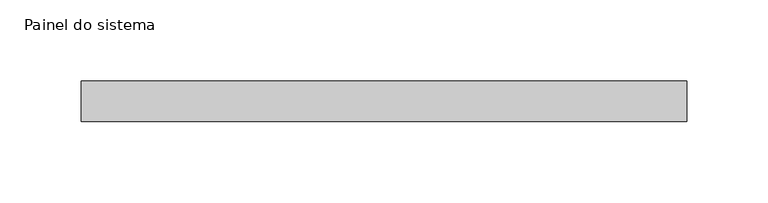
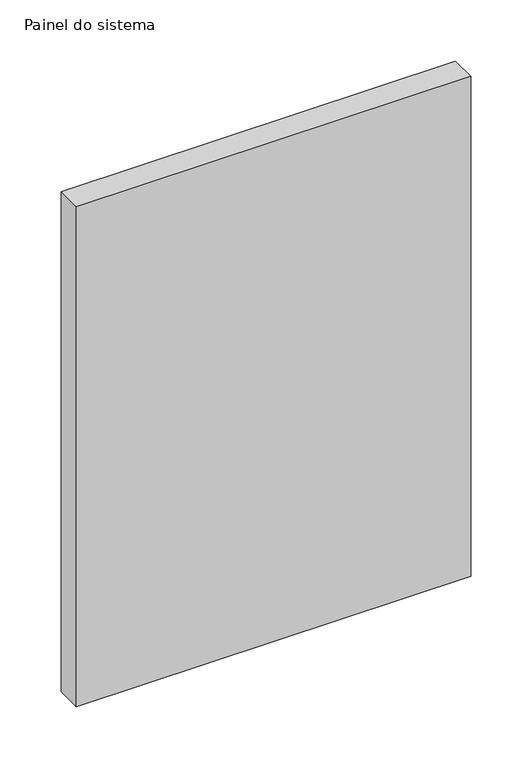
"""IFC4 building model written with IfcOpenShell, lengths in millimetres: plate geometry, Painel do sistema."""

import ifcopenshell
import ifcopenshell.guid

model = None  # the IFC model being written
_history = None  # IfcOwnerHistory: only IFC2X3 demands one
_inside = {}  # id of a spatial element -> (the spatial element, [elements in it])
_under = {}  # id of a project, library or spatial element -> (it, [spatial elements below it])
_declared = {}  # id of a project -> (the project, [libraries it declares])
_typed = {}  # id of a type object -> (the type object, [elements of that type])
_made_of = {}  # id of a material, layer set ... -> (it, [elements and type objects made of it])


def new_model(schema):
    """Start an empty IFC model of exactly this schema.

    Asked for "IFC4X3", IfcOpenShell would pick the latest addendum, in which some entities
    have other attributes; the version numbers below select the first issue.
    IFC2X3 requires an IfcOwnerHistory on every rooted entity: one is made here for all.
    """
    global model, _history
    if schema == "IFC4X3":
        model = ifcopenshell.file(schema_version=(4, 3, 0, 0))
    else:
        model = ifcopenshell.file(schema=schema)
    _inside.clear()
    _under.clear()
    _declared.clear()
    _typed.clear()
    _made_of.clear()
    _history = None
    if model.schema == "IFC2X3":
        org = make("IfcOrganization", Name="unknown")
        user = make(
            "IfcPersonAndOrganization",
            ThePerson=make("IfcPerson", FamilyName="unknown"),
            TheOrganization=org,
        )
        app = make(
            "IfcApplication",
            ApplicationDeveloper=org,
            Version="unknown",
            ApplicationFullName="unknown",
            ApplicationIdentifier="unknown",
        )
        _history = make(
            "IfcOwnerHistory",
            OwningUser=user,
            OwningApplication=app,
            ChangeAction="ADDED",
            CreationDate=0,
        )
    return model


def make(cls, **values):
    """One entity of the class cls with the attributes given. An attribute that is None is left unset."""
    return model.create_entity(
        cls, **{name: value for name, value in values.items() if value is not None}
    )


def rooted(cls, **values):
    """An entity with a GlobalId (a new one), such as an element, a storey or a relation."""
    return make(cls, GlobalId=ifcopenshell.guid.new(), OwnerHistory=_history, **values)


def si_unit(unit_type, name, prefix=None):
    """IfcSIUnit, for example si_unit("LENGTHUNIT", "METRE", prefix="MILLI")."""
    return make("IfcSIUnit", UnitType=unit_type, Prefix=prefix, Name=name)


def assignment(units):
    """IfcUnitAssignment: the units of a project."""
    return None if units is None else make("IfcUnitAssignment", Units=units)


def point(xyz):
    """IfcCartesianPoint."""
    return None if xyz is None else make("IfcCartesianPoint", Coordinates=xyz)


def direction(xyz):
    """IfcDirection."""
    return None if xyz is None else make("IfcDirection", DirectionRatios=xyz)


def frame(location, z_axis=None, x_axis=None):
    """IfcAxis2Placement3D, a coordinate frame: its origin and axes. An axis left out is left unset."""
    return make(
        "IfcAxis2Placement3D",
        Location=point(location),
        Axis=direction(z_axis),
        RefDirection=direction(x_axis),
    )


def origin():
    """The frame at (0, 0, 0) with its axes left unset."""
    return frame((0.0, 0.0, 0.0))


def origin_with_axes():
    """The frame at (0, 0, 0) with the z axis (0, 0, 1) and the x axis (1, 0, 0) written out."""
    return frame((0.0, 0.0, 0.0), z_axis=(0.0, 0.0, 1.0), x_axis=(1.0, 0.0, 0.0))


def place(relative_to, where):
    """IfcLocalPlacement: puts the frame where relative to a parent placement (None: the world)."""
    return make(
        "IfcLocalPlacement", PlacementRelTo=relative_to, RelativePlacement=where
    )


def context(
    kind, dimensions, precision=None, world=None, true_north=None, identifier=None
):
    """IfcGeometricRepresentationContext, for example the 3D "Model" context."""
    return make(
        "IfcGeometricRepresentationContext",
        ContextIdentifier=identifier,
        ContextType=kind,
        CoordinateSpaceDimension=dimensions,
        Precision=precision,
        WorldCoordinateSystem=world,
        TrueNorth=true_north,
    )


def project(units=None, contexts=None):
    """IfcProject with its units and contexts."""
    return rooted(
        "IfcProject",
        Name="project",
        RepresentationContexts=contexts,
        UnitsInContext=assignment(units),
    )


def spatial(cls, under=None, at=None, **own):
    """A site, building, storey or space (cls), placed at a placement, below another one or the project."""
    s = rooted(cls, ObjectPlacement=at, **own)
    if under is not None:
        _under.setdefault(under.id(), (under, []))[1].append(s)
    return s


def polyline(points):
    """IfcPolyline through the points."""
    return make("IfcPolyline", Points=[point(p) for p in points])


def outline(outer, holes=None, kind="AREA"):
    """IfcArbitraryClosedProfileDef: a profile drawn as a closed curve; with holes, ...WithVoids."""
    if holes is None:
        return make("IfcArbitraryClosedProfileDef", ProfileType=kind, OuterCurve=outer)
    return make(
        "IfcArbitraryProfileDefWithVoids",
        ProfileType=kind,
        OuterCurve=outer,
        InnerCurves=holes,
    )


def extrude(swept, where, along, depth):
    """IfcExtrudedAreaSolid: the profile swept, set in the frame where, extruded along a direction by depth."""
    return make(
        "IfcExtrudedAreaSolid",
        SweptArea=swept,
        Position=where,
        ExtrudedDirection=direction(along),
        Depth=depth,
    )


def shape(context_of_items, identifier, shape_type, items):
    """IfcShapeRepresentation: the items that make up one representation, for example the "Body"."""
    return make(
        "IfcShapeRepresentation",
        ContextOfItems=context_of_items,
        RepresentationIdentifier=identifier,
        RepresentationType=shape_type,
        Items=items,
    )


def source(mapping_origin, context_of_items, identifier, shape_type, items):
    """IfcRepresentationMap: a shape defined once, which mapped items show again and again."""
    return make(
        "IfcRepresentationMap",
        MappingOrigin=mapping_origin,
        MappedRepresentation=shape(context_of_items, identifier, shape_type, items),
    )


def transform(
    local_origin,
    x_axis=None,
    y_axis=None,
    z_axis=None,
    scale=None,
    scale2=None,
    scale3=None,
    uniform=True,
):
    """IfcCartesianTransformationOperator3D, or its non-uniform kind. x_axis, y_axis, z_axis: its Axis1, 2, 3."""
    if uniform:
        return make(
            "IfcCartesianTransformationOperator3D",
            Axis1=direction(x_axis),
            Axis2=direction(y_axis),
            LocalOrigin=point(local_origin),
            Scale=scale,
            Axis3=direction(z_axis),
        )
    return make(
        "IfcCartesianTransformationOperator3DnonUniform",
        Axis1=direction(x_axis),
        Axis2=direction(y_axis),
        LocalOrigin=point(local_origin),
        Scale=scale,
        Axis3=direction(z_axis),
        Scale2=scale2,
        Scale3=scale3,
    )


def mapped(mapping_source, mapping_target):
    """IfcMappedItem: shows the shape of a source again, moved by a transform."""
    return make(
        "IfcMappedItem", MappingSource=mapping_source, MappingTarget=mapping_target
    )


def made_of(thing, what):
    """Note that an element or type object is made of a material, layer set ...; save() writes the relation."""
    if what is not None:
        _made_of.setdefault(what.id(), (what, []))[1].append(thing)
    return thing


def element(
    cls,
    number,
    at=None,
    inside=None,
    cuts=None,
    type_object=None,
    material=None,
    context=None,
    identifier="Body",
    shape_type=None,
    held_by="IfcProductDefinitionShape",
    body=None,
    shapes=None,
    **own,
):
    """One element of the class cls, such as IfcWall. Its Tag is "e" and its number.

    at: its placement. inside: the storey or other place that contains it. cuts: it is an
    opening in that element (IfcRelVoidsElement). A single representation is given by context,
    identifier, shape_type and body (its items); several are given by shapes. held_by: the class
    of the entity that holds the representations. save() writes the other relations.
    """
    e = rooted(cls, Tag="e%d" % number, ObjectPlacement=at, **own)
    if body is not None:
        shapes = [shape(context, identifier, shape_type, body)]
    if shapes is not None:
        e.Representation = make(held_by, Representations=shapes)
    if inside is not None:
        _inside.setdefault(inside.id(), (inside, []))[1].append(e)
    if cuts is not None:
        rooted(
            "IfcRelVoidsElement", RelatingBuildingElement=cuts, RelatedOpeningElement=e
        )
    if type_object is not None:
        _typed.setdefault(type_object.id(), (type_object, []))[1].append(e)
    return made_of(e, material)


def aggregate(whole, parts):
    """IfcRelAggregates: a whole, such as a stair, and the parts it consists of."""
    return rooted("IfcRelAggregates", RelatingObject=whole, RelatedObjects=parts)


def save(model, path):
    """Write the relations noted so far, then the file.

    IfcRelAggregates (storeys below a building ...), IfcRelContainedInSpatialStructure (elements
    in a storey), IfcRelDefinesByType, IfcRelAssociatesMaterial and IfcRelDeclares: one each for
    every whole, place, type object, material and project.
    """
    for whole, parts in _under.values():
        aggregate(whole, parts)
    for where, things in _inside.values():
        rooted(
            "IfcRelContainedInSpatialStructure",
            RelatedElements=things,
            RelatingStructure=where,
        )
    for kind, things in _typed.values():
        rooted("IfcRelDefinesByType", RelatedObjects=things, RelatingType=kind)
    for what, things in _made_of.values():
        rooted("IfcRelAssociatesMaterial", RelatedObjects=things, RelatingMaterial=what)
    for by, libraries in _declared.values():
        rooted("IfcRelDeclares", RelatingContext=by, RelatedDefinitions=libraries)
    model.write(path)


def painel_do_sistema_654db3de(model_context):
    return source(origin(), model_context, "Body", "SweptSolid", [
        extrude(outline(polyline([(186.3829374, 24.5), (-186.3829374, 24.5), (-186.3829374, 49.5), (186.3829374, 49.5), (186.3829374, 24.5)])), origin_with_axes(), (0.0, 0.0, 1.0), 500.0),
    ])


if __name__ == "__main__":
    model = new_model("IFC4")
    model_context = context("Model", 3, world=origin())
    ifc_project = project(units=[si_unit("LENGTHUNIT", "METRE", prefix="MILLI")], contexts=[model_context])
    site = spatial("IfcSite", under=ifc_project)
    building = spatial("IfcBuilding", under=site)
    placement = place(None, origin())
    painel_do_sistema_shape = painel_do_sistema_654db3de(model_context)
    element("IfcPlate", 1, ObjectType="Painel do sistema", at=placement, inside=building, context=model_context, shape_type="MappedRepresentation", body=[
        mapped(painel_do_sistema_shape, transform((0.0, 0.0, 0.0), x_axis=(1.0, 0.0, 0.0), y_axis=(0.0, 1.0, 0.0), z_axis=(0.0, 0.0, 1.0))),
    ])
    save(model, "model.ifc")
